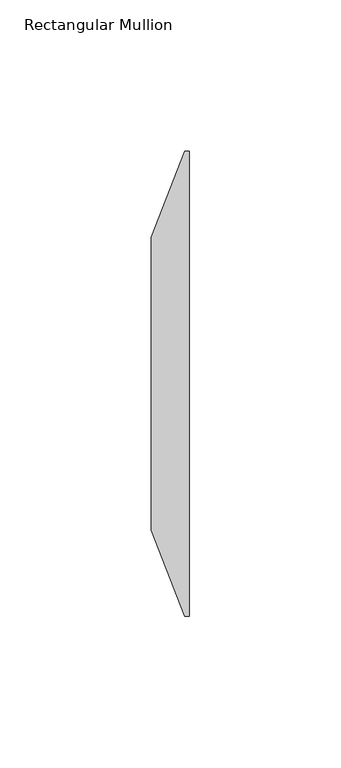
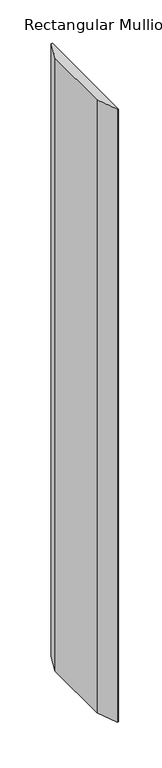
"""IFC4 building model written with IfcOpenShell, lengths in millimetres: member geometry, Rectangular Mullion."""

import ifcopenshell
import ifcopenshell.guid

model = None  # the IFC model being written
_history = None  # IfcOwnerHistory: only IFC2X3 demands one
_inside = {}  # id of a spatial element -> (the spatial element, [elements in it])
_under = {}  # id of a project, library or spatial element -> (it, [spatial elements below it])
_declared = {}  # id of a project -> (the project, [libraries it declares])
_typed = {}  # id of a type object -> (the type object, [elements of that type])
_made_of = {}  # id of a material, layer set ... -> (it, [elements and type objects made of it])


def new_model(schema):
    """Start an empty IFC model of exactly this schema.

    Asked for "IFC4X3", IfcOpenShell would pick the latest addendum, in which some entities
    have other attributes; the version numbers below select the first issue.
    IFC2X3 requires an IfcOwnerHistory on every rooted entity: one is made here for all.
    """
    global model, _history
    if schema == "IFC4X3":
        model = ifcopenshell.file(schema_version=(4, 3, 0, 0))
    else:
        model = ifcopenshell.file(schema=schema)
    _inside.clear()
    _under.clear()
    _declared.clear()
    _typed.clear()
    _made_of.clear()
    _history = None
    if model.schema == "IFC2X3":
        org = make("IfcOrganization", Name="unknown")
        user = make(
            "IfcPersonAndOrganization",
            ThePerson=make("IfcPerson", FamilyName="unknown"),
            TheOrganization=org,
        )
        app = make(
            "IfcApplication",
            ApplicationDeveloper=org,
            Version="unknown",
            ApplicationFullName="unknown",
            ApplicationIdentifier="unknown",
        )
        _history = make(
            "IfcOwnerHistory",
            OwningUser=user,
            OwningApplication=app,
            ChangeAction="ADDED",
            CreationDate=0,
        )
    return model


def make(cls, **values):
    """One entity of the class cls with the attributes given. An attribute that is None is left unset."""
    return model.create_entity(
        cls, **{name: value for name, value in values.items() if value is not None}
    )


def rooted(cls, **values):
    """An entity with a GlobalId (a new one), such as an element, a storey or a relation."""
    return make(cls, GlobalId=ifcopenshell.guid.new(), OwnerHistory=_history, **values)


def si_unit(unit_type, name, prefix=None):
    """IfcSIUnit, for example si_unit("LENGTHUNIT", "METRE", prefix="MILLI")."""
    return make("IfcSIUnit", UnitType=unit_type, Prefix=prefix, Name=name)


def assignment(units):
    """IfcUnitAssignment: the units of a project."""
    return None if units is None else make("IfcUnitAssignment", Units=units)


def point(xyz):
    """IfcCartesianPoint."""
    return None if xyz is None else make("IfcCartesianPoint", Coordinates=xyz)


def direction(xyz):
    """IfcDirection."""
    return None if xyz is None else make("IfcDirection", DirectionRatios=xyz)


def frame(location, z_axis=None, x_axis=None):
    """IfcAxis2Placement3D, a coordinate frame: its origin and axes. An axis left out is left unset."""
    return make(
        "IfcAxis2Placement3D",
        Location=point(location),
        Axis=direction(z_axis),
        RefDirection=direction(x_axis),
    )


def origin():
    """The frame at (0, 0, 0) with its axes left unset."""
    return frame((0.0, 0.0, 0.0))


def place(relative_to, where):
    """IfcLocalPlacement: puts the frame where relative to a parent placement (None: the world)."""
    return make(
        "IfcLocalPlacement", PlacementRelTo=relative_to, RelativePlacement=where
    )


def context(
    kind, dimensions, precision=None, world=None, true_north=None, identifier=None
):
    """IfcGeometricRepresentationContext, for example the 3D "Model" context."""
    return make(
        "IfcGeometricRepresentationContext",
        ContextIdentifier=identifier,
        ContextType=kind,
        CoordinateSpaceDimension=dimensions,
        Precision=precision,
        WorldCoordinateSystem=world,
        TrueNorth=true_north,
    )


def project(units=None, contexts=None):
    """IfcProject with its units and contexts."""
    return rooted(
        "IfcProject",
        Name="project",
        RepresentationContexts=contexts,
        UnitsInContext=assignment(units),
    )


def spatial(cls, under=None, at=None, **own):
    """A site, building, storey or space (cls), placed at a placement, below another one or the project."""
    s = rooted(cls, ObjectPlacement=at, **own)
    if under is not None:
        _under.setdefault(under.id(), (under, []))[1].append(s)
    return s


def polyline(points):
    """IfcPolyline through the points."""
    return make("IfcPolyline", Points=[point(p) for p in points])


def outline(outer, holes=None, kind="AREA"):
    """IfcArbitraryClosedProfileDef: a profile drawn as a closed curve; with holes, ...WithVoids."""
    if holes is None:
        return make("IfcArbitraryClosedProfileDef", ProfileType=kind, OuterCurve=outer)
    return make(
        "IfcArbitraryProfileDefWithVoids",
        ProfileType=kind,
        OuterCurve=outer,
        InnerCurves=holes,
    )


def extrude(swept, where, along, depth):
    """IfcExtrudedAreaSolid: the profile swept, set in the frame where, extruded along a direction by depth."""
    return make(
        "IfcExtrudedAreaSolid",
        SweptArea=swept,
        Position=where,
        ExtrudedDirection=direction(along),
        Depth=depth,
    )


def shape(context_of_items, identifier, shape_type, items):
    """IfcShapeRepresentation: the items that make up one representation, for example the "Body"."""
    return make(
        "IfcShapeRepresentation",
        ContextOfItems=context_of_items,
        RepresentationIdentifier=identifier,
        RepresentationType=shape_type,
        Items=items,
    )


def source(mapping_origin, context_of_items, identifier, shape_type, items):
    """IfcRepresentationMap: a shape defined once, which mapped items show again and again."""
    return make(
        "IfcRepresentationMap",
        MappingOrigin=mapping_origin,
        MappedRepresentation=shape(context_of_items, identifier, shape_type, items),
    )


def transform(
    local_origin,
    x_axis=None,
    y_axis=None,
    z_axis=None,
    scale=None,
    scale2=None,
    scale3=None,
    uniform=True,
):
    """IfcCartesianTransformationOperator3D, or its non-uniform kind. x_axis, y_axis, z_axis: its Axis1, 2, 3."""
    if uniform:
        return make(
            "IfcCartesianTransformationOperator3D",
            Axis1=direction(x_axis),
            Axis2=direction(y_axis),
            LocalOrigin=point(local_origin),
            Scale=scale,
            Axis3=direction(z_axis),
        )
    return make(
        "IfcCartesianTransformationOperator3DnonUniform",
        Axis1=direction(x_axis),
        Axis2=direction(y_axis),
        LocalOrigin=point(local_origin),
        Scale=scale,
        Axis3=direction(z_axis),
        Scale2=scale2,
        Scale3=scale3,
    )


def mapped(mapping_source, mapping_target):
    """IfcMappedItem: shows the shape of a source again, moved by a transform."""
    return make(
        "IfcMappedItem", MappingSource=mapping_source, MappingTarget=mapping_target
    )


def made_of(thing, what):
    """Note that an element or type object is made of a material, layer set ...; save() writes the relation."""
    if what is not None:
        _made_of.setdefault(what.id(), (what, []))[1].append(thing)
    return thing


def element(
    cls,
    number,
    at=None,
    inside=None,
    cuts=None,
    type_object=None,
    material=None,
    context=None,
    identifier="Body",
    shape_type=None,
    held_by="IfcProductDefinitionShape",
    body=None,
    shapes=None,
    **own,
):
    """One element of the class cls, such as IfcWall. Its Tag is "e" and its number.

    at: its placement. inside: the storey or other place that contains it. cuts: it is an
    opening in that element (IfcRelVoidsElement). A single representation is given by context,
    identifier, shape_type and body (its items); several are given by shapes. held_by: the class
    of the entity that holds the representations. save() writes the other relations.
    """
    e = rooted(cls, Tag="e%d" % number, ObjectPlacement=at, **own)
    if body is not None:
        shapes = [shape(context, identifier, shape_type, body)]
    if shapes is not None:
        e.Representation = make(held_by, Representations=shapes)
    if inside is not None:
        _inside.setdefault(inside.id(), (inside, []))[1].append(e)
    if cuts is not None:
        rooted(
            "IfcRelVoidsElement", RelatingBuildingElement=cuts, RelatedOpeningElement=e
        )
    if type_object is not None:
        _typed.setdefault(type_object.id(), (type_object, []))[1].append(e)
    return made_of(e, material)


def aggregate(whole, parts):
    """IfcRelAggregates: a whole, such as a stair, and the parts it consists of."""
    return rooted("IfcRelAggregates", RelatingObject=whole, RelatedObjects=parts)


def save(model, path):
    """Write the relations noted so far, then the file.

    IfcRelAggregates (storeys below a building ...), IfcRelContainedInSpatialStructure (elements
    in a storey), IfcRelDefinesByType, IfcRelAssociatesMaterial and IfcRelDeclares: one each for
    every whole, place, type object, material and project.
    """
    for whole, parts in _under.values():
        aggregate(whole, parts)
    for where, things in _inside.values():
        rooted(
            "IfcRelContainedInSpatialStructure",
            RelatedElements=things,
            RelatingStructure=where,
        )
    for kind, things in _typed.values():
        rooted("IfcRelDefinesByType", RelatedObjects=things, RelatingType=kind)
    for what, things in _made_of.values():
        rooted("IfcRelAssociatesMaterial", RelatedObjects=things, RelatingMaterial=what)
    for by, libraries in _declared.values():
        rooted("IfcRelDeclares", RelatingContext=by, RelatedDefinitions=libraries)
    model.write(path)


def rectangular_mullion_c13b22e4(model_context):
    return source(origin(), model_context, "Body", "SweptSolid", [
        extrude(outline(polyline([(0.0, 66.675), (0.0, -87.3125), (-1.5875, -87.3125), (-12.7, -58.7375), (-12.7, 38.1), (-1.5875, 66.675), (0.0, 66.675)])), frame((0.0, 0.0, -867.41), z_axis=(0.0, 0.0, 1.0), x_axis=(1.0, 0.0, 0.0)), (0.0, 0.0, 1.0), 867.41),
    ])


if __name__ == "__main__":
    model = new_model("IFC4")
    model_context = context("Model", 3, world=origin())
    ifc_project = project(units=[si_unit("LENGTHUNIT", "METRE", prefix="MILLI")], contexts=[model_context])
    site = spatial("IfcSite", under=ifc_project)
    building = spatial("IfcBuilding", under=site)
    placement = place(None, origin())
    rectangular_mullion_shape = rectangular_mullion_c13b22e4(model_context)
    element("IfcMember", 1, ObjectType="Rectangular Mullion", at=placement, inside=building, context=model_context, shape_type="MappedRepresentation", body=[
        mapped(rectangular_mullion_shape, transform((0.0, 0.0, 0.0), x_axis=(1.0, 0.0, 0.0), y_axis=(0.0, 1.0, 0.0), z_axis=(0.0, 0.0, 1.0))),
    ])
    save(model, "model.ifc")
